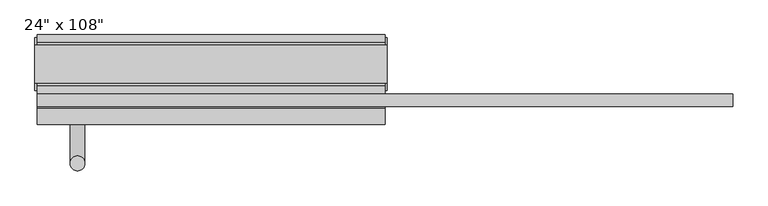
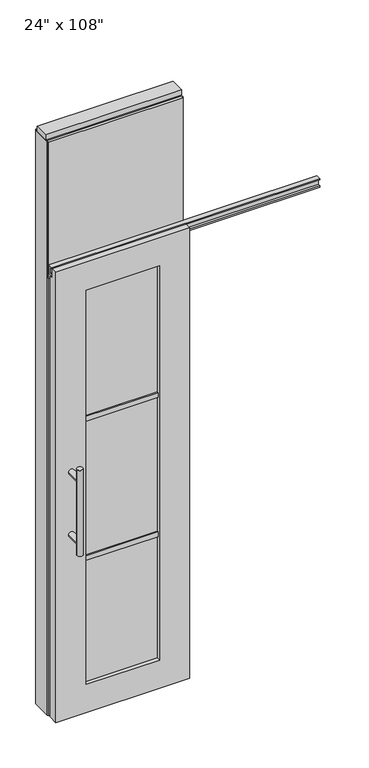
"""IFC4 building model written with IfcOpenShell, lengths in millimetres: furniture geometry."""

from ifc_helpers import new_model, si_unit, frame, origin, origin_with_axes, place, context, project, spatial, polyline, circle_curve, ellipse_curve, outline, extrude, faceted_brep, source, transform, mapped, element, save
from ifc_brep_helpers import plane_surface, cylinder_surface, advanced_brep


def furniture_fa63e474(model_context):
    return source(origin(), model_context, "Body", "SolidModel", [
        extrude(outline(polyline([(240.8264771, 46.2822784), (240.8264771, 33.5822784), (-360.8995229, 33.5822784), (-360.8995229, 46.2822784), (240.8264771, 46.2822784)])), frame((0.0, 0.0, 2133.6), z_axis=(0.0, 0.0, 1.0), x_axis=(1.0, 0.0, 0.0)), (0.0, 0.0, 1.0), 584.2),
        extrude(outline(polyline([(240.8264771, -55.3177216), (-360.8995229, -55.3177216), (-360.8995229, -42.6177216), (240.8264771, -42.6177216), (240.8264771, -55.3177216)])), frame((0.0, 0.0, 2133.6), z_axis=(0.0, 0.0, 1.0), x_axis=(1.0, 0.0, 0.0)), (0.0, 0.0, 1.0), 584.2),
        advanced_brep(
        [(-303.6225229, 3.3562784, 1219.2), (-278.2225229, 3.3562784, 1219.2), (-303.6225229, 3.3562784, 812.8), (-278.2225229, 3.3562784, 812.8), (-278.2225229, 3.3562784, 1164.336), (-278.2225229, 3.3562784, 867.664), (-303.6225229, 3.3562784, 867.664), (-303.6225229, 3.3562784, 1164.336), (-303.6225229, -64.2077216, 1164.336), (-278.2225229, -64.2077216, 1164.336), (-303.6225229, -64.2077216, 867.664), (-278.2225229, -64.2077216, 867.664)],
        [
            (0, 1, circle_curve(frame((-290.9225229, 3.3562784, 1219.2), z_axis=(0.0, 0.0, 1.0), x_axis=(1.0, 0.0, 0.0)), 12.7)),
            (1, 0, circle_curve(frame((-290.9225229, 3.3562784, 1219.2), z_axis=(0.0, 0.0, 1.0), x_axis=(1.0, 0.0, 0.0)), 12.7)),
            (2, 3, circle_curve(frame((-290.9225229, 3.3562784, 812.8), z_axis=(0.0, 0.0, -1.0), x_axis=(1.0, 0.0, 0.0)), 12.7)),
            (3, 2, circle_curve(frame((-290.9225229, 3.3562784, 812.8), z_axis=(0.0, 0.0, -1.0), x_axis=(1.0, 0.0, 0.0)), 12.7)),
            (1, 4),
            (4, 5),
            (5, 3),
            (2, 6),
            (6, 7),
            (7, 0),
            (6, 5, ellipse_curve(frame((-290.9225229, 3.3562784, 867.664), z_axis=(0.0, 0.707106781186565, 0.70710678118653), x_axis=(0.0, -0.70710678118653, 0.707106781186565)), 17.9605122, 12.7)),
            (4, 7, ellipse_curve(frame((-290.9225229, 3.3562784, 1164.336), z_axis=(0.0, 0.70710678118653, -0.7071067811865649), x_axis=(0.0, 0.7071067811865648, 0.7071067811865301)), 17.9605122, 12.7)),
            (7, 4, ellipse_curve(frame((-290.9225229, 3.3562784, 1164.336), z_axis=(0.0, 0.707106781186565, 0.70710678118653), x_axis=(0.0, -0.70710678118653, 0.707106781186565)), 17.9605122, 12.7)),
            (5, 6, ellipse_curve(frame((-290.9225229, 3.3562784, 867.664), z_axis=(0.0, 0.70710678118653, -0.7071067811865649), x_axis=(0.0, 0.7071067811865648, 0.7071067811865301)), 17.9605122, 12.7)),
            (8, 9, circle_curve(frame((-290.9225229, -64.2077216, 1164.336), z_axis=(0.0, -1.0, 0.0), x_axis=(1.0, 0.0, 0.0)), 12.7)),
            (9, 8, circle_curve(frame((-290.9225229, -64.2077216, 1164.336), z_axis=(0.0, -1.0, 0.0), x_axis=(1.0, 0.0, 0.0)), 12.7)),
            (8, 7),
            (4, 9),
            (10, 11, circle_curve(frame((-290.9225229, -64.2077216, 867.664), z_axis=(0.0, -1.0, 0.0), x_axis=(1.0, 0.0, 0.0)), 12.7)),
            (11, 10, circle_curve(frame((-290.9225229, -64.2077216, 867.664), z_axis=(0.0, -1.0, 0.0), x_axis=(1.0, 0.0, 0.0)), 12.7)),
            (10, 6),
            (5, 11),
        ],
        [
            plane_surface(frame((-278.2225229, 3.3562784, 1219.2), z_axis=(0.0, 0.0, 1.0), x_axis=(0.0, -1.0, 0.0))),
            plane_surface(frame((-278.2225229, 3.3562784, 812.8), z_axis=(0.0, 0.0, -1.0), x_axis=(0.0, 1.0, 0.0))),
            cylinder_surface(frame((-290.9225229, 3.3562784, 812.8), z_axis=(0.0, 0.0, 1.0), x_axis=(1.0, 0.0, 0.0)), 12.7),
            plane_surface(frame((-278.2225229, -64.2077216, 1164.336), z_axis=(0.0, -1.0, 0.0), x_axis=(0.0, 0.0, -1.0))),
            cylinder_surface(frame((-290.9225229, -64.2077216, 1164.336), z_axis=(0.0, 1.0, 0.0), x_axis=(1.0, 0.0, 0.0)), 12.7),
            plane_surface(frame((-278.2225229, -64.2077216, 867.664), z_axis=(0.0, -1.0, 0.0), x_axis=(0.0, 0.0, -1.0))),
            cylinder_surface(frame((-290.9225229, -64.2077216, 867.664), z_axis=(0.0, 1.0, 0.0), x_axis=(1.0, 0.0, 0.0)), 12.7),
        ],
        [
            (0, [[1, 2]]),
            (1, [[3, 4]]),
            (2, [[5, 6, 7, -3, 8, 9, 10, -2]]),
            (2, [[-9, 11, -6, 12]]),
            (2, [[-10, 13, -5, -1]]),
            (2, [[-7, 14, -8, -4]]),
            (3, [[15, 16]]),
            (4, [[17, -12, 18, -15]]),
            (4, [[-18, -13, -17, -16]]),
            (5, [[19, 20]]),
            (6, [[21, -14, 22, -19]]),
            (6, [[-22, -11, -21, -20]]),
        ],
    ),
        advanced_brep(
        [(-303.6225229, -176.2217216, 1219.2), (-278.2225229, -176.2217216, 1219.2), (-303.6225229, -176.2217216, 812.8), (-278.2225229, -176.2217216, 812.8), (-303.6225229, -176.2217216, 1164.336), (-303.6225229, -176.2217216, 867.664), (-278.2225229, -176.2217216, 867.664), (-278.2225229, -176.2217216, 1164.336), (-303.6225229, -108.6577216, 1164.336), (-278.2225229, -108.6577216, 1164.336), (-303.6225229, -108.6577216, 867.664), (-278.2225229, -108.6577216, 867.664)],
        [
            (0, 1, circle_curve(frame((-290.9225229, -176.2217216, 1219.2), z_axis=(0.0, 0.0, 1.0), x_axis=(1.0, 0.0, 0.0)), 12.7)),
            (1, 0, circle_curve(frame((-290.9225229, -176.2217216, 1219.2), z_axis=(0.0, 0.0, 1.0), x_axis=(1.0, 0.0, 0.0)), 12.7)),
            (2, 3, circle_curve(frame((-290.9225229, -176.2217216, 812.8), z_axis=(0.0, 0.0, -1.0), x_axis=(1.0, 0.0, 0.0)), 12.7)),
            (3, 2, circle_curve(frame((-290.9225229, -176.2217216, 812.8), z_axis=(0.0, 0.0, -1.0), x_axis=(1.0, 0.0, 0.0)), 12.7)),
            (0, 4),
            (4, 5),
            (5, 2),
            (3, 6),
            (6, 7),
            (7, 1),
            (7, 4, ellipse_curve(frame((-290.9225229, -176.2217216, 1164.336), z_axis=(0.0, -0.707106781186565, 0.70710678118653), x_axis=(0.0, 0.70710678118653, 0.707106781186565)), 17.9605122, 12.7)),
            (5, 6, ellipse_curve(frame((-290.9225229, -176.2217216, 867.664), z_axis=(0.0, -0.70710678118653, -0.7071067811865649), x_axis=(0.0, -0.7071067811865648, 0.7071067811865301)), 17.9605122, 12.7)),
            (4, 7, ellipse_curve(frame((-290.9225229, -176.2217216, 1164.336), z_axis=(0.0, -0.70710678118653, -0.7071067811865649), x_axis=(0.0, -0.7071067811865648, 0.7071067811865301)), 17.9605122, 12.7)),
            (6, 5, ellipse_curve(frame((-290.9225229, -176.2217216, 867.664), z_axis=(0.0, -0.707106781186565, 0.70710678118653), x_axis=(0.0, 0.70710678118653, 0.707106781186565)), 17.9605122, 12.7)),
            (8, 9, circle_curve(frame((-290.9225229, -108.6577216, 1164.336), z_axis=(0.0, 1.0, 0.0), x_axis=(1.0, 0.0, 0.0)), 12.7)),
            (9, 8, circle_curve(frame((-290.9225229, -108.6577216, 1164.336), z_axis=(0.0, 1.0, 0.0), x_axis=(1.0, 0.0, 0.0)), 12.7)),
            (9, 7),
            (4, 8),
            (10, 11, circle_curve(frame((-290.9225229, -108.6577216, 867.664), z_axis=(0.0, 1.0, 0.0), x_axis=(1.0, 0.0, 0.0)), 12.7)),
            (11, 10, circle_curve(frame((-290.9225229, -108.6577216, 867.664), z_axis=(0.0, 1.0, 0.0), x_axis=(1.0, 0.0, 0.0)), 12.7)),
            (11, 6),
            (5, 10),
        ],
        [
            plane_surface(frame((-278.2225229, -176.2217216, 1219.2), z_axis=(0.0, 0.0, 1.0), x_axis=(0.0, 1.0, 0.0))),
            plane_surface(frame((-278.2225229, -176.2217216, 812.8), z_axis=(0.0, 0.0, -1.0), x_axis=(0.0, -1.0, 0.0))),
            cylinder_surface(frame((-290.9225229, -176.2217216, 812.8), z_axis=(0.0, 0.0, 1.0), x_axis=(1.0, 0.0, 0.0)), 12.7),
            plane_surface(frame((-278.2225229, -108.6577216, 1164.336), z_axis=(0.0, 1.0, 0.0), x_axis=(0.0, 0.0, -1.0))),
            cylinder_surface(frame((-290.9225229, -108.6577216, 1164.336), z_axis=(0.0, -1.0, 0.0), x_axis=(1.0, 0.0, 0.0)), 12.7),
            plane_surface(frame((-278.2225229, -108.6577216, 867.664), z_axis=(0.0, 1.0, 0.0), x_axis=(0.0, 0.0, -1.0))),
            cylinder_surface(frame((-290.9225229, -108.6577216, 867.664), z_axis=(0.0, -1.0, 0.0), x_axis=(1.0, 0.0, 0.0)), 12.7),
        ],
        [
            (0, [[1, 2]]),
            (1, [[3, 4]]),
            (2, [[-1, 5, 6, 7, -4, 8, 9, 10]]),
            (2, [[-2, -10, 11, -5]]),
            (2, [[-3, -7, 12, -8]]),
            (2, [[13, -9, 14, -6]]),
            (3, [[15, 16]]),
            (4, [[-16, 17, -13, 18]]),
            (4, [[-15, -18, -11, -17]]),
            (5, [[19, 20]]),
            (6, [[-20, 21, -12, 22]]),
            (6, [[-19, -22, -14, -21]]),
        ],
    ),
        extrude(outline(polyline([(-224.8825229, -97.5452216), (-224.8825229, -75.3202216), (104.8094771, -75.3202216), (104.8094771, -97.5452216), (-224.8825229, -97.5452216)])), frame((0.0, 0.0, 1371.6), z_axis=(0.0, 0.0, 1.0), x_axis=(1.0, 0.0, 0.0)), (0.0, 0.0, 1.0), 22.225),
        extrude(outline(polyline([(-224.8825229, -97.5452216), (-224.8825229, -75.3202216), (104.8094771, -75.3202216), (104.8094771, -97.5452216), (-224.8825229, -97.5452216)])), frame((0.0, 0.0, 711.2), z_axis=(0.0, 0.0, 1.0), x_axis=(1.0, 0.0, 0.0)), (0.0, 0.0, 1.0), 22.225),
        extrude(outline(polyline([(104.8094771, -91.5127216), (-224.8825229, -91.5127216), (-224.8825229, -81.3527216), (104.8094771, -81.3527216), (104.8094771, -91.5127216)])), frame((0.0, 0.0, 132.969), z_axis=(0.0, 0.0, 1.0), x_axis=(1.0, 0.0, 0.0)), (0.0, 0.0, 1.0), 1867.662),
        extrude(outline(polyline([(-77.9237216, 2097.278), (-77.9237216, 2102.612), (-65.2237216, 2102.612), (-65.2237216, 2131.568), (-77.9237216, 2131.568), (-77.9237216, 2136.902), (-56.2067216, 2136.902), (-56.2067216, 2097.278), (-77.9237216, 2097.278)])), frame((-360.8995229, 0.0, 0.0), z_axis=(1.0, 0.0, 0.0), x_axis=(0.0, 1.0, 0.0)), (0.0, 0.0, 1.0), 1203.452),
        faceted_brep([(-360.8995229, -108.6577216, 0.0), (240.8264771, -108.6577216, 0.0), (240.8264771, -108.6577216, 2133.6), (-360.8995229, -108.6577216, 2133.6), (104.8094771, -108.6577216, 2000.631), (104.8094771, -108.6577216, 132.969), (-224.8825229, -108.6577216, 132.969), (-224.8825229, -108.6577216, 2000.631), (-360.8995229, -81.2257216, 2133.6), (240.8264771, -81.2257216, 2133.6), (240.8264771, -81.2257216, 2089.023), (-360.8995229, -81.2257216, 2089.023), (-360.8995229, -64.2077216, 2089.023), (-360.8995229, -64.2077216, 0.0), (240.8264771, -64.2077216, 0.0), (240.8264771, -64.2077216, 2089.023), (104.8094771, -64.2077216, 2000.631), (-224.8825229, -64.2077216, 2000.631), (-224.8825229, -64.2077216, 132.969), (104.8094771, -64.2077216, 132.969)], [[[0, 1, 2, 3], [4, 5, 6, 7]], [[8, 9, 10, 11]], [[0, 3, 8, 11, 12, 13]], [[2, 1, 14, 15, 10, 9]], [[3, 2, 9, 8]], [[15, 14, 13, 12], [16, 17, 18, 19]], [[15, 12, 11, 10]], [[1, 0, 13, 14]], [[5, 4, 16, 19]], [[6, 5, 19, 18]], [[7, 6, 18, 17]], [[4, 7, 17, 16]]]),
        extrude(outline(polyline([(-42.6177216, 2681.478), (-42.6177216, 2717.8), (33.5822784, 2717.8), (33.5822784, 2681.478), (28.6292784, 2681.478), (28.6292784, 2676.525), (-37.6647216, 2676.525), (-37.6647216, 2681.478), (-42.6177216, 2681.478)])), frame((-360.8995229, 0.0, 0.0), z_axis=(1.0, 0.0, 0.0), x_axis=(0.0, 1.0, 0.0)), (0.0, 0.0, 1.0), 601.726),
        extrude(outline(polyline([(-360.8995229, -55.3177216), (-360.8995229, 46.2822784), (240.8264771, 46.2822784), (240.8264771, -55.3177216), (-360.8995229, -55.3177216)])), frame((0.0, 0.0, 2070.1), z_axis=(0.0, 0.0, 1.0), x_axis=(1.0, 0.0, 0.0)), (0.0, 0.0, 1.0), 22.225),
        extrude(outline(polyline([(-55.3177216, 2097.278), (-55.3177216, 2133.6), (46.2822784, 2133.6), (46.2822784, 2097.278), (41.3292784, 2097.278), (41.3292784, 2092.325), (-50.3647216, 2092.325), (-50.3647216, 2097.278), (-55.3177216, 2097.278)])), frame((-360.8995229, 0.0, 0.0), z_axis=(1.0, 0.0, 0.0), x_axis=(0.0, 1.0, 0.0)), (0.0, 0.0, 1.0), 601.726),
        extrude(outline(polyline([(244.7634771, -50.3647216), (240.8264771, -50.3647216), (240.8264771, 41.3292784), (244.7634771, 41.3292784), (244.7634771, -50.3647216)])), origin_with_axes(), (0.0, 0.0, 1.0), 2717.8),
        extrude(outline(polyline([(-364.8365229, -50.3647216), (-364.8365229, 41.3292784), (-360.8995229, 41.3292784), (-360.8995229, -50.3647216), (-364.8365229, -50.3647216)])), origin_with_axes(), (0.0, 0.0, 1.0), 2717.8),
        extrude(outline(polyline([(218.6014771, -55.3177216), (218.6014771, 46.2822784), (240.8264771, 46.2822784), (240.8264771, -55.3177216), (218.6014771, -55.3177216)])), origin_with_axes(), (0.0, 0.0, 1.0), 2070.1),
        extrude(outline(polyline([(-338.6745229, -55.3177216), (-360.8995229, -55.3177216), (-360.8995229, 46.2822784), (-338.6745229, 46.2822784), (-338.6745229, -55.3177216)])), origin_with_axes(), (0.0, 0.0, 1.0), 2070.1),
        extrude(outline(polyline([(-364.8365229, -37.0297216), (-364.8365229, 27.9942784), (244.7634771, 27.9942784), (244.7634771, -37.0297216), (-364.8365229, -37.0297216)])), frame((0.0, 0.0, 2717.8), z_axis=(0.0, 0.0, 1.0), x_axis=(1.0, 0.0, 0.0)), (0.0, 0.0, 1.0), 25.4),
    ])


if __name__ == "__main__":
    model = new_model("IFC4")
    model_context = context("Model", 3, world=origin())
    ifc_project = project(units=[si_unit("LENGTHUNIT", "METRE", prefix="MILLI")], contexts=[model_context])
    site = spatial("IfcSite", under=ifc_project)
    building = spatial("IfcBuilding", under=site)
    placement = place(None, origin())
    furniture_shape = furniture_fa63e474(model_context)
    element("IfcFurniture", 1, ObjectType="24\" x 108\"", at=placement, inside=building, context=model_context, shape_type="MappedRepresentation", body=[
        mapped(furniture_shape, transform((0.0, 0.0, 0.0), x_axis=(1.0, 0.0, 0.0), y_axis=(0.0, 1.0, 0.0), z_axis=(0.0, 0.0, 1.0))),
    ])
    save(model, "model.ifc")
